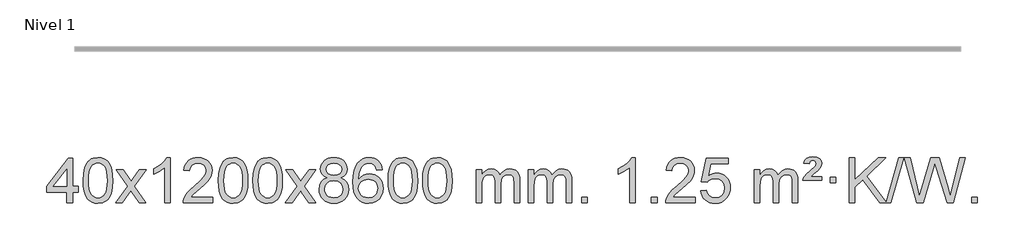
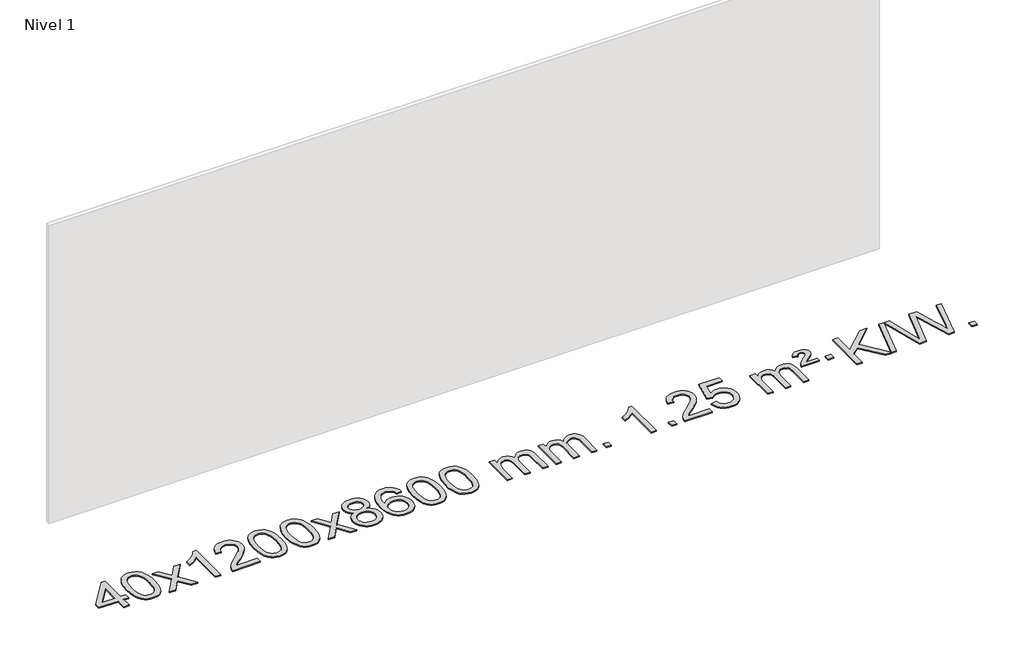
# One storey, part 9 of 9: 1 proxy.
"""IFC4 building model written with IfcOpenShell, lengths in millimetres."""

from ifc_helpers import new_model, si_unit, origin, origin_with_axes, place, context, project, spatial, polyline, outline, extrude, element, save

model = new_model("IFC4")

# Units and contexts
model_context = context("Model", 3, world=origin())
ifc_project = project(units=[si_unit("LENGTHUNIT", "METRE", prefix="MILLI")], contexts=[model_context])

# Site, building, storey
site = spatial("IfcSite", under=ifc_project)
building = spatial("IfcBuilding", under=site)
storey = spatial("IfcBuildingStorey", under=building, Name="Nivel 1", Elevation=0.0)

# Proxy
placement = place(None, origin())
element("IfcBuildingElementProxy", 1, Name="Texto de modelo 1", ObjectType="Texto de modelo 1", at=placement, inside=storey, context=model_context, shape_type="SweptSolid", body=[
    extrude(outline(polyline([(-300.5756563, 2608.420547), (-300.5756563, 2702.5983378), (-482.6527184, 2702.5983378), (-482.6527184, 2752.8264928), (-288.0186175, 3003.9672682), (-250.3475012, 3003.9672682), (-250.3475012, 2752.8264928), (-200.1193462, 2752.8264928), (-200.1193462, 2702.5983378), (-250.3475012, 2702.5983378), (-250.3475012, 2608.420547), (-300.5756563, 2608.420547)]), holes=[polyline([(-300.5756563, 2752.8264928), (-300.5756563, 2908.0236439), (-420.8485433, 2752.8264928), (-300.5756563, 2752.8264928)])]), origin_with_axes(), (0.0, 0.0, 1.0), 10.0),
    extrude(outline(polyline([(-156.1697105, 2806.0958057), (-152.4786278, 2870.4138412), (-141.4053797, 2921.7088541), (-123.0603309, 2960.7656593), (-111.2022679, 2975.9990395), (-97.5538459, 2988.3690716), (-82.0690796, 2997.9401349), (-64.7019837, 3004.7766086), (-24.3208034, 3010.2457876), (6.6303351, 3007.008426), (34.3441121, 2997.2963414), (57.5206778, 2981.4896783), (74.8601825, 2959.9685816), (87.9567815, 2932.9169922), (98.4046302, 2900.5188512), (105.2472353, 2859.3773814), (107.5281037, 2806.0958057), (103.8738092, 2742.1456523), (92.9109257, 2690.9732667), (74.6762415, 2651.8796734), (62.8457697, 2636.6003078), (49.2065447, 2624.1658964), (33.7033843, 2614.5304538), (16.2811061, 2607.6479948), (-24.3208034, 2602.1420276), (-51.9855294, 2604.5332606), (-76.5109958, 2611.7069595), (-97.8972024, 2623.6631243), (-116.1441494, 2640.4017551), (-133.6553324, 2670.6600492), (-146.1633202, 2708.3618224), (-153.6681129, 2753.5070745), (-156.1697105, 2806.0958057)]), holes=[polyline([(-105.9415554, 2806.1939076), (-104.4700274, 2762.5293805), (-100.0554435, 2727.1851178), (-92.6978036, 2700.1611196), (-82.3971077, 2681.4573858), (-69.9381708, 2668.7317344), (-56.1058078, 2659.6419835), (-40.9000186, 2654.1881329), (-24.3208034, 2652.3701827), (-7.7415881, 2654.1942643), (7.464201, 2659.6665089), (21.296564, 2668.7869167), (33.7555009, 2681.5554876), (44.0561968, 2700.2898783), (51.4138367, 2727.3077451), (55.8284206, 2762.6090882), (57.2999486, 2806.1939076), (55.8774716, 2848.7026722), (51.6100404, 2883.4246011), (44.4976552, 2910.3596945), (34.5403158, 2929.5079524), (22.2898454, 2942.8559375), (8.2980668, 2952.3902125), (-7.4350198, 2958.1107775), (-24.9094146, 2960.0176325), (-41.4027907, 2958.3376381), (-56.3510624, 2953.2976548), (-69.7542298, 2944.8976825), (-81.6122928, 2933.1377214), (-92.2563452, 2912.291075), (-99.8592397, 2884.1848906), (-104.4209765, 2848.8191681), (-105.9415554, 2806.1939076)])]), origin_with_axes(), (0.0, 0.0, 1.0), 10.0),
    extrude(outline(polyline([(132.6421812, 2608.420547), (239.9656219, 2756.7505675), (138.9207006, 2903.5109581), (199.3514497, 2903.5109581), (248.1080768, 2832.877615), (270.8677095, 2799.5229808), (290.5861845, 2826.7952993), (346.1118403, 2903.5109581), (406.5425894, 2903.5109581), (300.396371, 2756.7505675), (402.6185147, 2608.420547), (342.1877657, 2608.420547), (280.6778961, 2697.5951426), (269.3961816, 2713.8800523), (193.0729303, 2608.420547), (132.6421812, 2608.420547)])), origin_with_axes(), (0.0, 0.0, 1.0), 10.0),
    extrude(outline(polyline([(622.3666932, 2608.420547), (572.1385381, 2608.420547), (572.1385381, 2921.5617013), (551.1692644, 2904.6023413), (524.5591334, 2887.6675068), (471.682228, 2862.3081746), (471.682228, 2909.7894775), (511.1314406, 2931.2492605), (545.3076779, 2956.780271), (572.2489027, 2983.9299622), (589.9930776, 3010.2457876), (622.3666932, 3010.2457876), (622.3666932, 2608.420547)])), origin_with_axes(), (0.0, 0.0, 1.0), 10.0),
    extrude(outline(polyline([(999.0778563, 2658.6487021), (999.0778563, 2608.420547), (735.3800421, 2608.420547), (736.4836881, 2626.1034082), (740.7756447, 2643.0505055), (753.1610052, 2670.1143576), (771.2853248, 2696.3688693), (797.5030484, 2723.8496544), (834.1686206, 2754.5923264), (888.3699012, 2802.7358169), (920.8906695, 2838.2732176), (937.1510537, 2867.115166), (942.5711818, 2895.1722995), (937.4576221, 2920.3231653), (922.1169429, 2941.2311253), (898.535707, 2955.3210057), (868.7004772, 2960.0176325), (837.3691939, 2955.4313703), (813.0276686, 2941.6725837), (797.3191074, 2919.8203932), (791.8867166, 2890.9539193), (741.6585615, 2897.2324387), (745.9781093, 2923.161988), (753.8354555, 2945.8173875), (765.2306003, 2965.1986373), (780.1635437, 2981.3057373), (798.290929, 2993.9670093), (819.2693997, 3003.010775), (843.098956, 3008.4370345), (869.7795977, 3010.2457876), (896.6993627, 3008.2346994), (920.6576776, 3002.2014346), (941.6545425, 2992.1459934), (959.6899573, 2978.0683758), (974.1753109, 2961.0109139), (984.521992, 2942.0159402), (990.7300007, 2921.0834547), (992.7993369, 2898.2134573), (990.5675194, 2874.1907631), (983.8720671, 2850.5850017), (971.9894787, 2826.5745701), (954.1962528, 2801.3378653), (925.832551, 2771.2083299), (882.2385346, 2732.5194067), (824.4565359, 2684.204238), (801.795005, 2658.6487021), (999.0778563, 2658.6487021)])), origin_with_axes(), (0.0, 0.0, 1.0), 10.0),
    extrude(outline(polyline([(1049.3060113, 2806.0958057), (1052.997094, 2870.4138412), (1064.0703421, 2921.7088541), (1082.4153909, 2960.7656593), (1094.2734539, 2975.9990395), (1107.9218759, 2988.3690716), (1123.4066422, 2997.9401349), (1140.7737381, 3004.7766086), (1181.1549184, 3010.2457876), (1212.1060569, 3007.008426), (1239.8198339, 2997.2963414), (1262.9963996, 2981.4896783), (1280.3359043, 2959.9685816), (1293.4325033, 2932.9169922), (1303.880352, 2900.5188512), (1310.7229571, 2859.3773814), (1313.0038255, 2806.0958057), (1309.349531, 2742.1456523), (1298.3866475, 2690.9732667), (1280.1519633, 2651.8796734), (1268.3214915, 2636.6003078), (1254.6822665, 2624.1658964), (1239.1791061, 2614.5304538), (1221.7568279, 2607.6479948), (1181.1549184, 2602.1420276), (1153.4901924, 2604.5332606), (1128.964726, 2611.7069595), (1107.5785194, 2623.6631243), (1089.3315724, 2640.4017551), (1071.8203894, 2670.6600492), (1059.3124016, 2708.3618224), (1051.8076089, 2753.5070745), (1049.3060113, 2806.0958057)]), holes=[polyline([(1099.5341664, 2806.1939076), (1101.0056944, 2762.5293805), (1105.4202783, 2727.1851178), (1112.7779182, 2700.1611196), (1123.0786141, 2681.4573858), (1135.537551, 2668.7317344), (1149.369914, 2659.6419835), (1164.5757032, 2654.1881329), (1181.1549184, 2652.3701827), (1197.7341337, 2654.1942643), (1212.9399228, 2659.6665089), (1226.7722858, 2668.7869167), (1239.2312227, 2681.5554876), (1249.5319186, 2700.2898783), (1256.8895585, 2727.3077451), (1261.3041424, 2762.6090882), (1262.7756704, 2806.1939076), (1261.3531934, 2848.7026722), (1257.0857622, 2883.4246011), (1249.973377, 2910.3596945), (1240.0160376, 2929.5079524), (1227.7655672, 2942.8559375), (1213.7737886, 2952.3902125), (1198.040702, 2958.1107775), (1180.5663072, 2960.0176325), (1164.0729311, 2958.3376381), (1149.1246594, 2953.2976548), (1135.721492, 2944.8976825), (1123.863429, 2933.1377214), (1113.2193766, 2912.291075), (1105.6164821, 2884.1848906), (1101.0547453, 2848.8191681), (1099.5341664, 2806.1939076)])]), origin_with_axes(), (0.0, 0.0, 1.0), 10.0),
    extrude(outline(polyline([(1356.9534612, 2806.0958057), (1360.6445439, 2870.4138412), (1371.7177919, 2921.7088541), (1390.0628407, 2960.7656593), (1401.9209037, 2975.9990395), (1415.5693257, 2988.3690716), (1431.054092, 2997.9401349), (1448.4211879, 3004.7766086), (1488.8023682, 3010.2457876), (1519.7535068, 3007.008426), (1547.4672837, 2997.2963414), (1570.6438494, 2981.4896783), (1587.9833541, 2959.9685816), (1601.0799532, 2932.9169922), (1611.5278018, 2900.5188512), (1618.3704069, 2859.3773814), (1620.6512753, 2806.0958057), (1616.9969808, 2742.1456523), (1606.0340974, 2690.9732667), (1587.7994131, 2651.8796734), (1575.9689413, 2636.6003078), (1562.3297163, 2624.1658964), (1546.8265559, 2614.5304538), (1529.4042778, 2607.6479948), (1488.8023682, 2602.1420276), (1461.1376422, 2604.5332606), (1436.6121759, 2611.7069595), (1415.2259692, 2623.6631243), (1396.9790222, 2640.4017551), (1379.4678393, 2670.6600492), (1366.9598514, 2708.3618224), (1359.4550587, 2753.5070745), (1356.9534612, 2806.0958057)]), holes=[polyline([(1407.1816162, 2806.1939076), (1408.6531442, 2762.5293805), (1413.0677282, 2727.1851178), (1420.4253681, 2700.1611196), (1430.7260639, 2681.4573858), (1443.1850008, 2668.7317344), (1457.0173639, 2659.6419835), (1472.223153, 2654.1881329), (1488.8023682, 2652.3701827), (1505.3815835, 2654.1942643), (1520.5873726, 2659.6665089), (1534.4197356, 2668.7869167), (1546.8786725, 2681.5554876), (1557.1793684, 2700.2898783), (1564.5370083, 2727.3077451), (1568.9515923, 2762.6090882), (1570.4231202, 2806.1939076), (1569.0006432, 2848.7026722), (1564.733212, 2883.4246011), (1557.6208268, 2910.3596945), (1547.6634875, 2929.5079524), (1535.413017, 2942.8559375), (1521.4212385, 2952.3902125), (1505.6881518, 2958.1107775), (1488.213757, 2960.0176325), (1471.7203809, 2958.3376381), (1456.7721092, 2953.2976548), (1443.3689418, 2944.8976825), (1431.5108789, 2933.1377214), (1420.8668265, 2912.291075), (1413.2639319, 2884.1848906), (1408.7021952, 2848.8191681), (1407.1816162, 2806.1939076)])]), origin_with_axes(), (0.0, 0.0, 1.0), 10.0),
    extrude(outline(polyline([(1645.7653528, 2608.420547), (1753.0887936, 2756.7505675), (1652.0438722, 2903.5109581), (1712.4746213, 2903.5109581), (1761.2312484, 2832.877615), (1783.9908812, 2799.5229808), (1803.7093561, 2826.7952993), (1859.2350119, 2903.5109581), (1919.665761, 2903.5109581), (1813.5195426, 2756.7505675), (1915.7416864, 2608.420547), (1855.3109373, 2608.420547), (1793.8010677, 2697.5951426), (1782.5193532, 2713.8800523), (1706.1961019, 2608.420547), (1645.7653528, 2608.420547)])), origin_with_axes(), (0.0, 0.0, 1.0), 10.0),
    extrude(outline(polyline([(2020.3182749, 2829.7383553), (1993.426101, 2842.9821071), (1974.5537547, 2860.9347485), (1963.4069302, 2883.2283974), (1959.6913221, 2909.4951719), (1961.714673, 2929.9800676), (1967.784726, 2948.7604435), (1977.9014808, 2965.8362994), (1992.0649376, 2981.2076355), (2009.5945147, 2993.911827), (2029.8096303, 3002.9862496), (2052.7102845, 3008.4309031), (2078.2964773, 3010.2457876), (2104.0052974, 3008.3879835), (2127.0776299, 3002.8145713), (2147.5134747, 2993.5255509), (2165.3128319, 2980.5209224), (2179.7338061, 2964.8491494), (2190.034502, 2947.5586956), (2196.2149195, 2928.6495611), (2198.2750587, 2908.1217457), (2194.6085015, 2882.7010999), (2183.6088298, 2860.7875957), (2165.1534164, 2842.9453189), (2139.1196338, 2829.7383553), (2170.0339842, 2813.8090649), (2192.5360995, 2790.3504564), (2206.258098, 2760.4907011), (2210.8320974, 2725.3579705), (2208.5634918, 2700.3052067), (2201.7576749, 2677.3371074), (2190.4146467, 2656.4536728), (2174.5344072, 2637.6549029), (2154.9508224, 2622.11802), (2132.4977579, 2611.0202464), (2107.1752139, 2604.3615823), (2078.9831904, 2602.1420276), (2050.7911668, 2604.3707794), (2025.4686228, 2611.0570346), (2003.0155584, 2622.2007934), (1983.4319735, 2637.8020557), (1967.551734, 2656.73265), (1956.2087058, 2677.864405), (1949.4028889, 2701.1973205), (1947.1342833, 2726.7313967), (1951.8922238, 2763.2252906), (1966.1660452, 2793.2444614), (1989.2199835, 2815.7588395), (2020.3182749, 2829.7383553)]), holes=[polyline([(2009.9194771, 2908.0236439), (2014.3708493, 2886.097877), (2027.7249657, 2868.586694), (2049.589419, 2857.1087757), (2079.5718016, 2853.282803), (2108.8552084, 2857.0842503), (2130.3885678, 2868.4885921), (2143.6323197, 2885.4111639), (2148.0469036, 2905.767301), (2143.4851669, 2926.8959902), (2129.7999566, 2944.370385), (2107.9722916, 2956.1058206), (2078.9831904, 2960.0176325), (2049.8101481, 2956.1916598), (2028.0192713, 2944.7137415), (2014.4444257, 2927.8892716), (2009.9194771, 2908.0236439)]), polyline([(1997.3624384, 2728.4972302), (1999.4593657, 2709.2815274), (2005.7501479, 2690.6789611), (2017.3629562, 2674.4553651), (2035.4259621, 2662.376573), (2057.0574235, 2654.8717803), (2079.3755978, 2652.3701827), (2113.5640979, 2657.6308952), (2127.4577746, 2664.2067859), (2139.2177357, 2673.4130328), (2155.2573907, 2697.3130998), (2160.6039424, 2726.9276004), (2155.0857124, 2757.0448731), (2138.5310227, 2781.4722375), (2126.4522305, 2790.9145421), (2112.2887737, 2797.6590453), (2077.7078661, 2803.0546479), (2043.9976126, 2797.7326217), (2030.2602858, 2791.080089), (2018.6014922, 2781.7665431), (2002.6722018, 2757.8051625), (1997.3624384, 2728.4972302)])]), origin_with_axes(), (0.0, 0.0, 1.0), 10.0),
    extrude(outline(polyline([(2512.2010279, 2903.5109581), (2461.9728728, 2897.2324387), (2453.8794689, 2922.125787), (2442.9411109, 2939.1219352), (2420.1569527, 2954.7937082), (2392.614854, 2960.0176325), (2369.26661, 2956.9764747), (2347.2917922, 2947.8530012), (2328.4194458, 2928.6372983), (2313.0051902, 2902.1865829), (2302.5941298, 2864.772984), (2298.7313688, 2812.6686307), (2318.8790394, 2836.1762902), (2343.024361, 2852.7432427), (2369.818433, 2862.565692), (2397.9123547, 2865.8398418), (2422.0454136, 2863.601893), (2444.314537, 2856.8880466), (2464.719725, 2845.6983025), (2483.2609776, 2830.0326609), (2498.6691018, 2810.8230894), (2509.6749049, 2789.0015557), (2516.2783867, 2764.5680599), (2518.4795473, 2737.5226018), (2514.3347435, 2701.5560055), (2501.900332, 2668.213634), (2482.2063825, 2639.9357713), (2456.2829646, 2619.1627013), (2425.3073006, 2606.397196), (2390.4566129, 2602.1420276), (2360.5140842, 2604.9624563), (2333.4716919, 2613.4237421), (2309.329436, 2627.5258853), (2288.0873164, 2647.2688857), (2270.7692715, 2673.4866092), (2258.3992394, 2707.0129217), (2250.9772202, 2747.8478232), (2248.5032137, 2795.9913136), (2251.250066, 2849.9657337), (2259.4906227, 2896.0306908), (2273.2248838, 2934.1861851), (2292.4528494, 2964.4322165), (2313.2933645, 2984.4756538), (2337.4570802, 2998.7923948), (2364.9439966, 3007.3824394), (2395.7541137, 3010.2457876), (2418.8877598, 3008.4738227), (2439.8263767, 3003.1579278), (2458.5699644, 2994.2981031), (2475.1185228, 2981.8943485), (2489.0244622, 2966.3635969), (2499.8401928, 2948.1227814), (2507.5657147, 2927.1719017), (2512.2010279, 2903.5109581)]), holes=[polyline([(2298.7313688, 2738.3074168), (2301.6376366, 2716.0505561), (2310.3564399, 2694.7992395), (2323.8944973, 2676.527767), (2341.2585275, 2663.2104388), (2362.2155385, 2655.0802467), (2386.5325383, 2652.3701827), (2419.6787061, 2657.9865145), (2433.5938426, 2665.0069292), (2445.7370141, 2674.8355099), (2455.5870545, 2687.0737176), (2462.6227977, 2701.3230135), (2468.2513922, 2735.8548701), (2462.6963741, 2769.0010379), (2455.7526014, 2782.6218688), (2446.0313197, 2794.274531), (2433.85136, 2803.6095366), (2419.5315533, 2810.2773978), (2384.4723992, 2815.6116867), (2351.3752823, 2810.2773978), (2323.6982936, 2794.274531), (2312.775264, 2782.7751529), (2304.9731, 2769.6141746), (2300.2918016, 2754.7915958), (2298.7313688, 2738.3074168)])]), origin_with_axes(), (0.0, 0.0, 1.0), 10.0),
    extrude(outline(polyline([(2562.429183, 2806.0958057), (2566.1202656, 2870.4138412), (2577.1935137, 2921.7088541), (2595.5385625, 2960.7656593), (2607.3966255, 2975.9990395), (2621.0450475, 2988.3690716), (2636.5298138, 2997.9401349), (2653.8969097, 3004.7766086), (2694.27809, 3010.2457876), (2725.2292286, 3007.008426), (2752.9430055, 2997.2963414), (2776.1195712, 2981.4896783), (2793.4590759, 2959.9685816), (2806.555675, 2932.9169922), (2817.0035236, 2900.5188512), (2823.8461287, 2859.3773814), (2826.1269971, 2806.0958057), (2822.4727026, 2742.1456523), (2811.5098192, 2690.9732667), (2793.2751349, 2651.8796734), (2781.4446631, 2636.6003078), (2767.8054381, 2624.1658964), (2752.3022777, 2614.5304538), (2734.8799996, 2607.6479948), (2694.27809, 2602.1420276), (2666.613364, 2604.5332606), (2642.0878976, 2611.7069595), (2620.701691, 2623.6631243), (2602.454744, 2640.4017551), (2584.9435611, 2670.6600492), (2572.4355732, 2708.3618224), (2564.9307805, 2753.5070745), (2562.429183, 2806.0958057)]), holes=[polyline([(2612.657338, 2806.1939076), (2614.128866, 2762.5293805), (2618.54345, 2727.1851178), (2625.9010899, 2700.1611196), (2636.2017857, 2681.4573858), (2648.6607226, 2668.7317344), (2662.4930856, 2659.6419835), (2677.6988748, 2654.1881329), (2694.27809, 2652.3701827), (2710.8573053, 2654.1942643), (2726.0630944, 2659.6665089), (2739.8954574, 2668.7869167), (2752.3543943, 2681.5554876), (2762.6550902, 2700.2898783), (2770.0127301, 2727.3077451), (2774.427314, 2762.6090882), (2775.898842, 2806.1939076), (2774.476365, 2848.7026722), (2770.2089338, 2883.4246011), (2763.0965486, 2910.3596945), (2753.1392093, 2929.5079524), (2740.8887388, 2942.8559375), (2726.8969603, 2952.3902125), (2711.1638736, 2958.1107775), (2693.6894788, 2960.0176325), (2677.1961027, 2958.3376381), (2662.247831, 2953.2976548), (2648.8446636, 2944.8976825), (2636.9866007, 2933.1377214), (2626.3425483, 2912.291075), (2618.7396537, 2884.1848906), (2614.1779169, 2848.8191681), (2612.657338, 2806.1939076)])]), origin_with_axes(), (0.0, 0.0, 1.0), 10.0),
    extrude(outline(polyline([(2870.0766328, 2806.0958057), (2873.7677155, 2870.4138412), (2884.8409635, 2921.7088541), (2903.1860124, 2960.7656593), (2915.0440753, 2975.9990395), (2928.6924974, 2988.3690716), (2944.1772637, 2997.9401349), (2961.5443595, 3004.7766086), (3001.9255399, 3010.2457876), (3032.8766784, 3007.008426), (3060.5904554, 2997.2963414), (3083.7670211, 2981.4896783), (3101.1065258, 2959.9685816), (3114.2031248, 2932.9169922), (3124.6509735, 2900.5188512), (3131.4935786, 2859.3773814), (3133.7744469, 2806.0958057), (3130.1201525, 2742.1456523), (3119.157269, 2690.9732667), (3100.9225848, 2651.8796734), (3089.0921129, 2636.6003078), (3075.452888, 2624.1658964), (3059.9497276, 2614.5304538), (3042.5274494, 2607.6479948), (3001.9255399, 2602.1420276), (2974.2608138, 2604.5332606), (2949.7353475, 2611.7069595), (2928.3491408, 2623.6631243), (2910.1021939, 2640.4017551), (2892.5910109, 2670.6600492), (2880.0830231, 2708.3618224), (2872.5782304, 2753.5070745), (2870.0766328, 2806.0958057)]), holes=[polyline([(2920.3047879, 2806.1939076), (2921.7763158, 2762.5293805), (2926.1908998, 2727.1851178), (2933.5485397, 2700.1611196), (2943.8492356, 2681.4573858), (2956.3081725, 2668.7317344), (2970.1405355, 2659.6419835), (2985.3463246, 2654.1881329), (3001.9255399, 2652.3701827), (3018.5047551, 2654.1942643), (3033.7105442, 2659.6665089), (3047.5429073, 2668.7869167), (3060.0018442, 2681.5554876), (3070.30254, 2700.2898783), (3077.6601799, 2727.3077451), (3082.0747639, 2762.6090882), (3083.5462919, 2806.1939076), (3082.1238148, 2848.7026722), (3077.8563837, 2883.4246011), (3070.7439984, 2910.3596945), (3060.7866591, 2929.5079524), (3048.5361887, 2942.8559375), (3034.5444101, 2952.3902125), (3018.8113234, 2958.1107775), (3001.3369287, 2960.0176325), (2984.8435526, 2958.3376381), (2969.8952808, 2953.2976548), (2956.4921135, 2944.8976825), (2944.6340505, 2933.1377214), (2933.9899981, 2912.291075), (2926.3871035, 2884.1848906), (2921.8253668, 2848.8191681), (2920.3047879, 2806.1939076)])]), origin_with_axes(), (0.0, 0.0, 1.0), 10.0),
    extrude(outline(polyline([(3347.244106, 2608.420547), (3347.244106, 2903.5109581), (3397.4722611, 2903.5109581), (3397.4722611, 2854.9505347), (3412.5799483, 2877.2564463), (3432.0041177, 2894.7308411), (3455.0825815, 2906.0248184), (3481.1531522, 2909.7894775), (3509.0876584, 2905.951242), (3531.4794092, 2894.4365355), (3548.2057772, 2876.0056476), (3559.1441352, 2851.4188676), (3577.4523959, 2876.9560094), (3598.3358304, 2895.196825), (3621.794439, 2906.1413143), (3647.8282215, 2909.7894775), (3667.9360383, 2908.2719642), (3685.585177, 2903.7194245), (3700.7756377, 2896.1318584), (3713.5074204, 2885.5092658), (3723.5720587, 2871.7290194), (3730.761086, 2854.6684918), (3735.0745024, 2834.3276832), (3736.5123078, 2810.7065934), (3736.5123078, 2608.420547), (3686.2841528, 2608.420547), (3686.2841528, 2789.124183), (3685.1191931, 2814.1769469), (3681.6243142, 2831.0627305), (3675.0760146, 2842.6264879), (3664.7507933, 2851.7131732), (3651.4702533, 2857.5992851), (3636.0559977, 2859.5613224), (3608.8449928, 2854.5336018), (3586.6617085, 2839.45044), (3578.0563355, 2827.8805512), (3571.9096405, 2813.2817674), (3566.9922845, 2774.9975144), (3566.9922845, 2608.420547), (3516.7641294, 2608.420547), (3516.7641294, 2794.7159894), (3513.8578616, 2823.1164794), (3505.1390583, 2843.3745146), (3489.7983791, 2855.5146204), (3467.0264836, 2859.5613224), (3447.6758907, 2856.8635211), (3429.8458767, 2848.7701172), (3415.1305968, 2835.4773144), (3405.1242066, 2817.1813165), (3399.3852475, 2791.7974589), (3397.4722611, 2757.2410768), (3397.4722611, 2608.420547), (3347.244106, 2608.420547)])), origin_with_axes(), (0.0, 0.0, 1.0), 10.0),
    extrude(outline(polyline([(3811.8545404, 2608.420547), (3811.8545404, 2903.5109581), (3862.0826955, 2903.5109581), (3862.0826955, 2854.9505347), (3877.1903828, 2877.2564463), (3896.6145521, 2894.7308411), (3919.693016, 2906.0248184), (3945.7635867, 2909.7894775), (3973.6980929, 2905.951242), (3996.0898436, 2894.4365355), (4012.8162117, 2876.0056476), (4023.7545697, 2851.4188676), (4042.0628303, 2876.9560094), (4062.9462649, 2895.196825), (4086.4048734, 2906.1413143), (4112.438656, 2909.7894775), (4132.5464727, 2908.2719642), (4150.1956114, 2903.7194245), (4165.3860721, 2896.1318584), (4178.1178548, 2885.5092658), (4188.1824931, 2871.7290194), (4195.3715204, 2854.6684918), (4199.6849368, 2834.3276832), (4201.1227423, 2810.7065934), (4201.1227423, 2608.420547), (4150.8945872, 2608.420547), (4150.8945872, 2789.124183), (4149.7296276, 2814.1769469), (4146.2347486, 2831.0627305), (4139.6864491, 2842.6264879), (4129.3612278, 2851.7131732), (4116.0806877, 2857.5992851), (4100.6664321, 2859.5613224), (4073.4554272, 2854.5336018), (4051.2721429, 2839.45044), (4042.6667699, 2827.8805512), (4036.5200749, 2813.2817674), (4031.6027189, 2774.9975144), (4031.6027189, 2608.420547), (3981.3745638, 2608.420547), (3981.3745638, 2794.7159894), (3978.4682961, 2823.1164794), (3969.7494928, 2843.3745146), (3954.4088136, 2855.5146204), (3931.6369181, 2859.5613224), (3912.2863251, 2856.8635211), (3894.4563111, 2848.7701172), (3879.7410313, 2835.4773144), (3869.734641, 2817.1813165), (3863.9956819, 2791.7974589), (3862.0826955, 2757.2410768), (3862.0826955, 2608.420547), (3811.8545404, 2608.420547)])), origin_with_axes(), (0.0, 0.0, 1.0), 10.0),
    extrude(outline(polyline([(4289.0220137, 2608.420547), (4289.0220137, 2658.6487021), (4339.2501687, 2658.6487021), (4339.2501687, 2608.420547), (4289.0220137, 2608.420547)])), origin_with_axes(), (0.0, 0.0, 1.0), 10.0),
    extrude(outline(polyline([(4766.1894869, 2608.420547), (4715.9613318, 2608.420547), (4715.9613318, 2921.5617013), (4694.9920581, 2904.6023413), (4668.3819271, 2887.6675068), (4615.5050216, 2862.3081746), (4615.5050216, 2909.7894775), (4654.9542343, 2931.2492605), (4689.1304716, 2956.780271), (4716.0716964, 2983.9299622), (4733.8158713, 3010.2457876), (4766.1894869, 3010.2457876), (4766.1894869, 2608.420547)])), origin_with_axes(), (0.0, 0.0, 1.0), 10.0),
    extrude(outline(polyline([(4910.5954327, 2608.420547), (4910.5954327, 2658.6487021), (4960.8235878, 2658.6487021), (4960.8235878, 2608.420547), (4910.5954327, 2608.420547)])), origin_with_axes(), (0.0, 0.0, 1.0), 10.0),
    extrude(outline(polyline([(5299.8636345, 2658.6487021), (5299.8636345, 2608.420547), (5036.1658204, 2608.420547), (5037.2694664, 2626.1034082), (5041.561423, 2643.0505055), (5053.9467835, 2670.1143576), (5072.0711031, 2696.3688693), (5098.2888266, 2723.8496544), (5134.9543988, 2754.5923264), (5189.1556795, 2802.7358169), (5221.6764478, 2838.2732176), (5237.936832, 2867.115166), (5243.3569601, 2895.1722995), (5238.2434003, 2920.3231653), (5222.9027211, 2941.2311253), (5199.3214853, 2955.3210057), (5169.4862554, 2960.0176325), (5138.1549722, 2955.4313703), (5113.8134468, 2941.6725837), (5098.1048856, 2919.8203932), (5092.6724949, 2890.9539193), (5042.4443398, 2897.2324387), (5046.7638875, 2923.161988), (5054.6212338, 2945.8173875), (5066.0163786, 2965.1986373), (5080.9493219, 2981.3057373), (5099.0767073, 2993.9670093), (5120.055178, 3003.010775), (5143.8847343, 3008.4370345), (5170.565376, 3010.2457876), (5197.485141, 3008.2346994), (5221.4434559, 3002.2014346), (5242.4403208, 2992.1459934), (5260.4757356, 2978.0683758), (5274.9610891, 2961.0109139), (5285.3077703, 2942.0159402), (5291.5157789, 2921.0834547), (5293.5851152, 2898.2134573), (5291.3532977, 2874.1907631), (5284.6578454, 2850.5850017), (5272.775257, 2826.5745701), (5254.9820311, 2801.3378653), (5226.6183293, 2771.2083299), (5183.0243129, 2732.5194067), (5125.2423142, 2684.204238), (5102.5807833, 2658.6487021), (5299.8636345, 2658.6487021)])), origin_with_axes(), (0.0, 0.0, 1.0), 10.0),
    extrude(outline(polyline([(5350.0917896, 2715.1553765), (5400.3199447, 2721.4338959), (5409.54152, 2691.2798351), (5425.630226, 2669.6851619), (5448.5124861, 2656.6989275), (5478.1147239, 2652.3701827), (5497.2445877, 2653.8754332), (5514.1181085, 2658.3911847), (5528.7352865, 2665.9174372), (5541.0961215, 2676.4541906), (5550.9247021, 2689.480279), (5557.9451169, 2704.4745359), (5563.5614487, 2740.3675559), (5558.3007361, 2774.1636486), (5551.7248455, 2788.0818507), (5542.5185986, 2800.0134901), (5530.6513385, 2809.5845533), (5516.0924086, 2816.4210271), (5478.8995389, 2821.8902061), (5454.533488, 2819.7074396), (5434.8027504, 2813.1591401), (5419.0451382, 2803.1282243), (5406.5984641, 2790.4976092), (5356.370309, 2796.7761285), (5400.3199447, 3003.9672682), (5594.9540456, 3003.9672682), (5594.9540456, 2953.7391131), (5440.934117, 2953.7391131), (5419.4498084, 2843.080209), (5437.1755892, 2855.7844006), (5455.3305657, 2864.8588231), (5473.9147378, 2870.3034766), (5492.9281056, 2872.1183612), (5517.3891926, 2869.8681496), (5539.8575855, 2863.117515), (5560.3332842, 2851.8664573), (5578.8162887, 2836.1149766), (5594.1171141, 2816.8256973), (5605.046275, 2794.961244), (5611.6037716, 2770.5216168), (5613.7896038, 2743.5068156), (5611.8214351, 2717.4852958), (5605.9169291, 2693.2786606), (5596.0760857, 2670.8869098), (5582.298905, 2650.3100435), (5561.4277331, 2629.2365366), (5537.073945, 2614.1840316), (5509.2375407, 2605.1525286), (5477.9185202, 2602.1420276), (5451.998168, 2604.0764738), (5428.5855447, 2609.8798123), (5407.6806503, 2619.552043), (5389.2834848, 2633.0931662), (5373.9765281, 2649.8287312), (5362.3422601, 2669.084288), (5354.3806805, 2690.8598364), (5350.0917896, 2715.1553765)])), origin_with_axes(), (0.0, 0.0, 1.0), 10.0),
    extrude(outline(polyline([(5827.2592628, 2608.420547), (5827.2592628, 2903.5109581), (5877.4874179, 2903.5109581), (5877.4874179, 2854.9505347), (5892.5951052, 2877.2564463), (5912.0192745, 2894.7308411), (5935.0977383, 2906.0248184), (5961.1683091, 2909.7894775), (5989.1028152, 2905.951242), (6011.494566, 2894.4365355), (6028.2209341, 2876.0056476), (6039.159292, 2851.4188676), (6057.4675527, 2876.9560094), (6078.3509873, 2895.196825), (6101.8095958, 2906.1413143), (6127.8433783, 2909.7894775), (6147.9511951, 2908.2719642), (6165.6003338, 2903.7194245), (6180.7907945, 2896.1318584), (6193.5225772, 2885.5092658), (6203.5872155, 2871.7290194), (6210.7762428, 2854.6684918), (6215.0896592, 2834.3276832), (6216.5274647, 2810.7065934), (6216.5274647, 2608.420547), (6166.2993096, 2608.420547), (6166.2993096, 2789.124183), (6165.1343499, 2814.1769469), (6161.639471, 2831.0627305), (6155.0911715, 2842.6264879), (6144.7659501, 2851.7131732), (6131.4854101, 2857.5992851), (6116.0711545, 2859.5613224), (6088.8601496, 2854.5336018), (6066.6768653, 2839.45044), (6058.0714923, 2827.8805512), (6051.9247973, 2813.2817674), (6047.0074413, 2774.9975144), (6047.0074413, 2608.420547), (5996.7792862, 2608.420547), (5996.7792862, 2794.7159894), (5993.8730184, 2823.1164794), (5985.1542152, 2843.3745146), (5969.813536, 2855.5146204), (5947.0416405, 2859.5613224), (5927.6910475, 2856.8635211), (5909.8610335, 2848.7701172), (5895.1457537, 2835.4773144), (5885.1393634, 2817.1813165), (5879.4004043, 2791.7974589), (5877.4874179, 2757.2410768), (5877.4874179, 2608.420547), (5827.2592628, 2608.420547)])), origin_with_axes(), (0.0, 0.0, 1.0), 10.0),
    extrude(outline(polyline([(6260.4771003, 2809.3331673), (6264.3030731, 2825.1520931), (6272.6417317, 2841.0200698), (6294.1505656, 2866.1586728), (6326.1072483, 2893.8969753), (6370.2530877, 2931.273786), (6377.3899984, 2942.8007552), (6379.7689686, 2954.6220299), (6377.8805077, 2966.7130848), (6372.215125, 2976.4987459), (6362.8463969, 2982.973469), (6349.8478997, 2985.1317101), (6337.4134883, 2983.5130293), (6328.5597949, 2978.656987), (6322.1341227, 2969.1901569), (6316.9837748, 2953.7391131), (6266.7556197, 2960.0176325), (6277.5958759, 2985.2298119), (6294.224142, 3002.7900458), (6317.9893189, 3013.0907417), (6350.2403072, 3016.524307), (6386.0229626, 3012.3917659), (6410.7691581, 2999.9941427), (6425.1901323, 2981.6613566), (6429.9971237, 2959.7233269), (6425.9013708, 2936.8165414), (6413.6141122, 2915.1850801), (6393.0862969, 2895.3685032), (6356.6169284, 2867.3113697), (6331.0123416, 2840.7257642), (6429.9971237, 2840.7257642), (6429.9971237, 2809.3331673), (6260.4771003, 2809.3331673)])), origin_with_axes(), (0.0, 0.0, 1.0), 10.0),
    extrude(outline(polyline([(6505.3393563, 2784.2190898), (6505.3393563, 2834.4472448), (6555.5675114, 2834.4472448), (6555.5675114, 2784.2190898), (6505.3393563, 2784.2190898)])), origin_with_axes(), (0.0, 0.0, 1.0), 10.0),
    extrude(outline(polyline([(6946.2091394, 2608.420547), (6792.7778219, 2811.0990009), (6725.0875348, 2746.5479735), (6725.0875348, 2608.420547), (6674.8593797, 2608.420547), (6674.8593797, 3010.2457876), (6725.0875348, 3010.2457876), (6725.0875348, 2813.5515475), (6931.1014521, 3010.2457876), (7001.3423877, 3010.2457876), (6828.388799, 2845.0422463), (7003.0424089, 2614.4650668), (7114.3557366, 3010.2457876), (7159.6787984, 3010.2457876), (7046.6654495, 2608.420547), (7007.6209071, 2608.420547), (7001.3423877, 2608.420547), (6946.2091394, 2608.420547)])), origin_with_axes(), (0.0, 0.0, 1.0), 10.0),
    extrude(outline(polyline([(7274.1636753, 2608.420547), (7164.5838917, 3010.2457876), (7216.3816766, 3010.2457876), (7279.9516854, 2746.155566), (7299.5720585, 2664.6329159), (7320.5658576, 2736.7377869), (7400.2245723, 3010.2457876), (7474.8800919, 3010.2457876), (7532.7601925, 2811.9819177), (7557.5554389, 2738.4055186), (7575.8269114, 2664.6329159), (7594.8586732, 2743.8011212), (7659.0172932, 3010.2457876), (7710.8150781, 3010.2457876), (7601.1371926, 2608.420547), (7547.4754723, 2608.420547), (7451.1394405, 2918.4224416), (7437.6994849, 2961.6853642), (7422.5917976, 2909.5932737), (7334.7906281, 2608.420547), (7274.1636753, 2608.420547)])), origin_with_axes(), (0.0, 0.0, 1.0), 10.0),
    extrude(outline(polyline([(7767.3217526, 2608.420547), (7767.3217526, 2658.6487021), (7817.5499077, 2658.6487021), (7817.5499077, 2608.420547), (7767.3217526, 2608.420547)])), origin_with_axes(), (0.0, 0.0, 1.0), 10.0),
])

save(model, "model.ifc")
